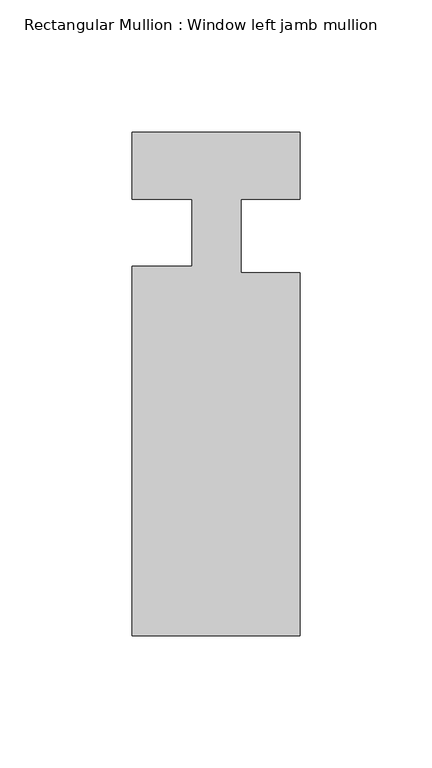
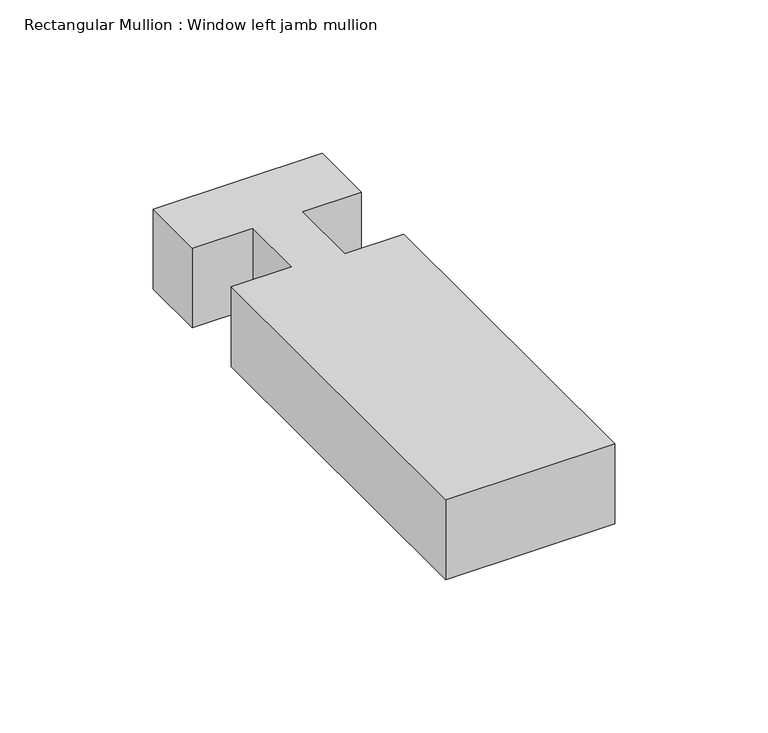
"""IFC4 building model written with IfcOpenShell, lengths in millimetres: member geometry, Rectangular Mullion : Window left jamb mullion."""

from ifc_helpers import new_model, si_unit, frame, origin, place, context, project, spatial, polyline, outline, extrude, source, transform, mapped, element, save


def rectangular_mullion_window_left_jamb_mullion_60706b2c(model_context):
    return source(origin(), model_context, "Body", "SweptSolid", [
        extrude(outline(polyline([(31.75, -165.099995), (-31.765875, -165.099995), (-31.765875, -25.3997799), (-9.1090758, -25.3997799), (-9.1090758, 0.0053211), (-31.765875, 0.0053211), (-31.765875, 25.4), (31.75, 25.4), (31.75, 8.81e-05), (9.525, 8.81e-05), (9.525, -27.686), (31.75, -27.686), (31.75, -165.099995)])), frame((0.0, 0.0, -31.75), z_axis=(0.0, 0.0, 1.0), x_axis=(1.0, 0.0, 0.0)), (0.0, 0.0, 1.0), 31.75),
    ])


if __name__ == "__main__":
    model = new_model("IFC4")
    model_context = context("Model", 3, world=origin())
    ifc_project = project(units=[si_unit("LENGTHUNIT", "METRE", prefix="MILLI")], contexts=[model_context])
    site = spatial("IfcSite", under=ifc_project)
    building = spatial("IfcBuilding", under=site)
    placement = place(None, origin())
    rectangular_mullion_window_left_jamb_mullion_shape = rectangular_mullion_window_left_jamb_mullion_60706b2c(model_context)
    element("IfcMember", 1, ObjectType="Rectangular Mullion : Window left jamb mullion", at=placement, inside=building, context=model_context, shape_type="MappedRepresentation", body=[
        mapped(rectangular_mullion_window_left_jamb_mullion_shape, transform((0.0, 0.0, 0.0), x_axis=(1.0, 0.0, 0.0), y_axis=(0.0, 1.0, 0.0), z_axis=(0.0, 0.0, 1.0))),
    ])
    save(model, "model.ifc")
